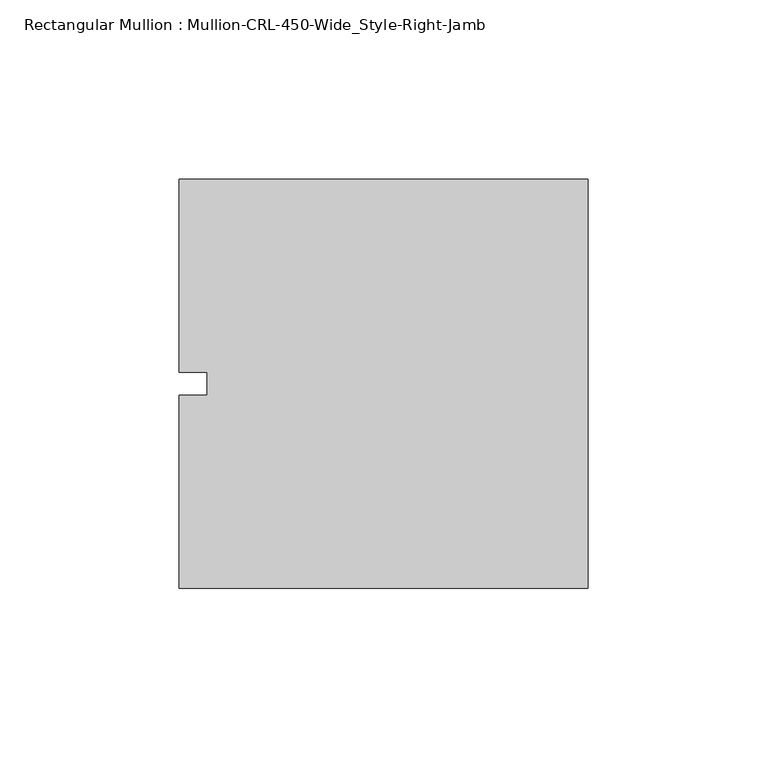
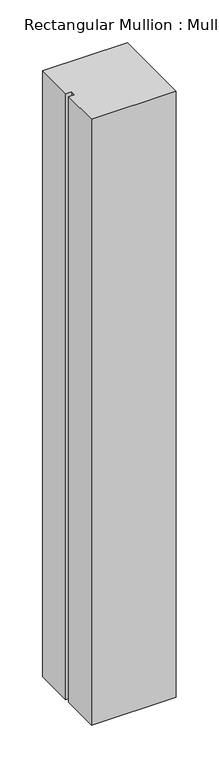
"""IFC4 building model written with IfcOpenShell, lengths in millimetres: member geometry, Rectangular Mullion : Mullion-CRL-450-Wide_Style-Right-Jamb."""

from ifc_helpers import new_model, si_unit, frame, origin, place, context, project, spatial, polyline, outline, extrude, source, transform, mapped, element, save


def rectangular_mullion_mullion_crl_450_wide_style_right_jamb_72b32466(model_context):
    return source(origin(), model_context, "Body", "SweptSolid", [
        extrude(outline(polyline([(0.0, -57.15), (-114.3, -57.15), (-114.3, -3.175), (-106.3625, -3.175), (-106.3625, 3.175), (-114.3, 3.175), (-114.3, 57.15), (0.0, 57.15), (0.0, -57.15)])), frame((0.0, 0.0, -863.6), z_axis=(0.0, 0.0, 1.0), x_axis=(1.0, 0.0, 0.0)), (0.0, 0.0, 1.0), 863.6),
    ])


if __name__ == "__main__":
    model = new_model("IFC4")
    model_context = context("Model", 3, world=origin())
    ifc_project = project(units=[si_unit("LENGTHUNIT", "METRE", prefix="MILLI")], contexts=[model_context])
    site = spatial("IfcSite", under=ifc_project)
    building = spatial("IfcBuilding", under=site)
    placement = place(None, origin())
    rectangular_mullion_mullion_crl_450_wide_style_right_jamb_shape = rectangular_mullion_mullion_crl_450_wide_style_right_jamb_72b32466(model_context)
    element("IfcMember", 1, ObjectType="Rectangular Mullion : Mullion-CRL-450-Wide_Style-Right-Jamb", at=placement, inside=building, context=model_context, shape_type="MappedRepresentation", body=[
        mapped(rectangular_mullion_mullion_crl_450_wide_style_right_jamb_shape, transform((0.0, 0.0, 0.0), x_axis=(1.0, 0.0, 0.0), y_axis=(0.0, 1.0, 0.0), z_axis=(0.0, 0.0, 1.0))),
    ])
    save(model, "model.ifc")
